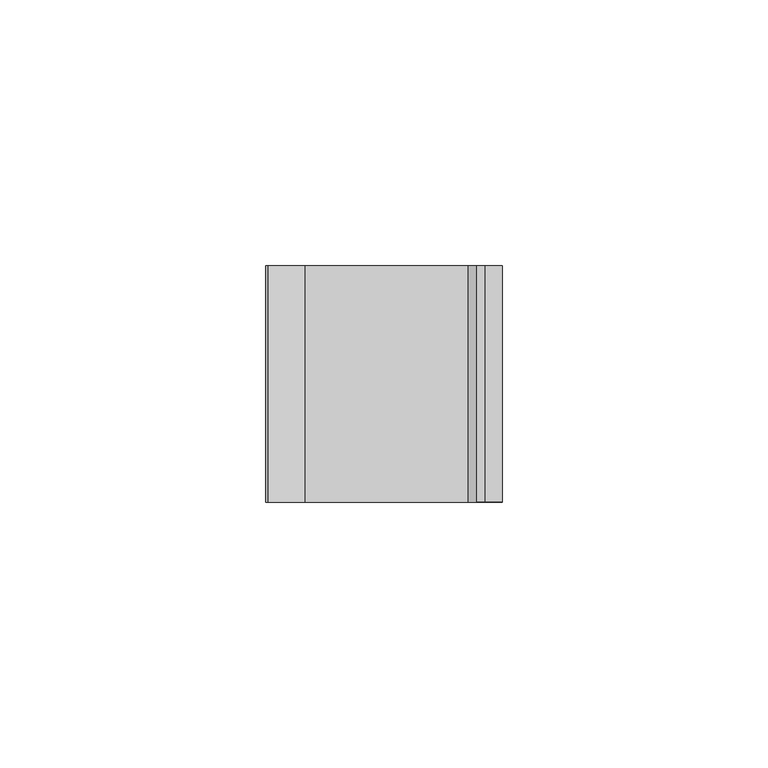
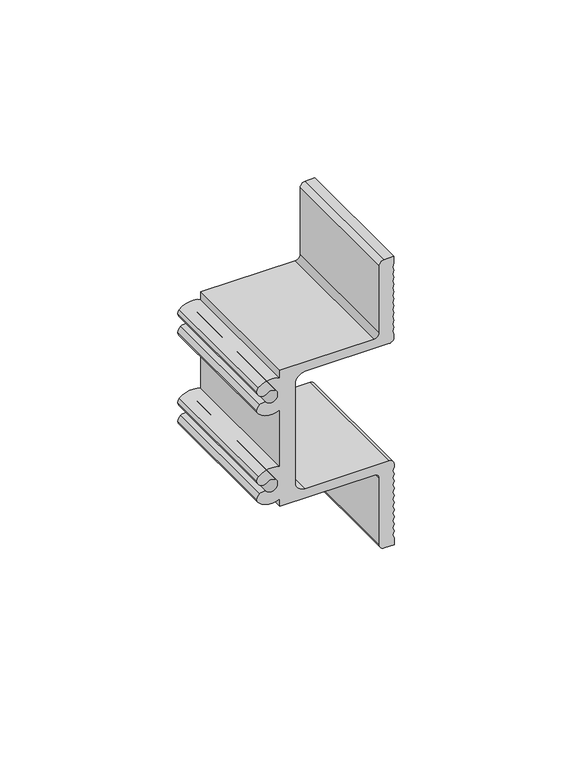
"""IFC4 building model written with IfcOpenShell, lengths in millimetres: proxy geometry."""

from ifc_helpers import new_model, si_unit, point, frame, frame_2d, origin, place, context, project, spatial, polyline, circle_curve, trimmed, segment, composite_curve, outline, extrude, source, transform, mapped, element, save


def entourage_a4e4cc3a(model_context):
    return source(origin(), model_context, "Body", "SweptSolid", [
        extrude(outline(composite_curve([segment(trimmed(circle_curve(frame_2d((0.9525, -1.5875)), 1.5875), [point((0.9525, 0.0))], [point((2.5400001, -1.5875))], False, "CARTESIAN"), True, "CONTINUOUS"), segment(polyline([(2.5400001, -1.5875), (2.5400001, -28.8871638)]), True, "CONTINUOUS"), segment(trimmed(circle_curve(frame_2d((5.715, -28.8871638)), 3.175), [point((2.5400001, -28.8871638))], [point((5.715, -32.0621638))], True, "CARTESIAN"), True, "CONTINUOUS"), segment(polyline([(5.715, -32.0621638), (39.6570672, -32.0621638)]), True, "CONTINUOUS"), segment(trimmed(circle_curve(frame_2d((39.6570672, -28.8871638)), 3.175), [point((39.6570672, -32.0621638))], [point((42.8320672, -28.8871638))], True, "CARTESIAN"), True, "CONTINUOUS"), segment(polyline([(42.8320672, -28.8871638), (42.8320672, -1.5875)]), True, "CONTINUOUS"), segment(trimmed(circle_curve(frame_2d((44.4195673, -1.5875)), 1.5875), [point((42.8320672, -1.5875))], [point((44.4195673, 0.0))], False, "CARTESIAN"), True, "CONTINUOUS"), segment(polyline([(44.4195673, 0.0), (45.3720673, 0.0), (46.5963472, -0.4191), (47.8206272, 0.0), (49.0449073, -0.4191), (50.2691872, 0.0), (51.4934672, -0.4191), (52.7177472, 0.0), (53.9420272, -0.4191), (55.1663072, 0.0), (56.3905872, -0.4191), (57.6148672, 0.0), (58.8391472, -0.4191), (60.0634272, 0.0), (61.2877073, -0.4191), (62.5119872, 0.0), (63.7362672, -0.4191), (64.9605473, 0.0), (66.1848272, -0.4191), (67.4091072, 0.0), (68.6333872, -0.4191), (69.8576672, 0.0), (72.1353903, 0.0), (72.1353903, -3.175)]), True, "CONTINUOUS"), segment(trimmed(circle_curve(frame_2d((70.5478903, -3.175)), 1.5875), [point((72.1353903, -3.175))], [point((70.5478903, -4.7625))], False, "CARTESIAN"), True, "CONTINUOUS"), segment(polyline([(70.5478903, -4.7625), (47.5945672, -4.7625)]), True, "CONTINUOUS"), segment(trimmed(circle_curve(frame_2d((47.5945672, -6.35)), 1.5875), [point((47.5945672, -4.7625))], [point((46.0070672, -6.35))], True, "CARTESIAN"), True, "CONTINUOUS"), segment(polyline([(46.0070672, -6.35), (46.0070672, -37.0838117), (43.3927559, -37.0838117)]), True, "CONTINUOUS"), segment(trimmed(circle_curve(frame_2d((37.9425673, -39.8145)), 6.096), [point((43.3927559, -37.0838117))], [point((42.3880386, -43.9857108))], False, "CARTESIAN"), True, "CONTINUOUS"), segment(trimmed(circle_curve(frame_2d((41.2303638, -42.899458)), 1.5875), [point((42.3880386, -43.9857108))], [point((41.1029673, -44.4818379))], False, "CARTESIAN"), True, "CONTINUOUS"), segment(trimmed(circle_curve(frame_2d((41.2962043, -42.0816585)), 2.4079455), [point((41.1029673, -44.4818379))], [point((39.3963752, -43.5611351))], False, "CARTESIAN"), True, "CONTINUOUS"), segment(trimmed(circle_curve(frame_2d((41.0029144, -42.4774322)), 1.9378803), [point((39.3963752, -43.5611351))], [point((39.433261, -41.3409602))], False, "CARTESIAN"), True, "CONTINUOUS"), segment(trimmed(circle_curve(frame_2d((37.9425673, -39.8145)), 2.1336), [point((39.433261, -41.3409602))], [point((36.4518734, -41.3409602))], True, "CARTESIAN"), True, "CONTINUOUS"), segment(trimmed(circle_curve(frame_2d((34.88222, -42.4774322)), 1.9378803), [point((36.4518734, -41.3409602))], [point((36.4887592, -43.5611351))], False, "CARTESIAN"), True, "CONTINUOUS"), segment(trimmed(circle_curve(frame_2d((34.5889301, -42.0816585)), 2.4079455), [point((36.4887592, -43.5611351))], [point((34.7821671, -44.4818379))], False, "CARTESIAN"), True, "CONTINUOUS"), segment(trimmed(circle_curve(frame_2d((34.6547706, -42.899458)), 1.5875), [point((34.7821671, -44.4818379))], [point((33.4970958, -43.9857108))], False, "CARTESIAN"), True, "CONTINUOUS"), segment(trimmed(circle_curve(frame_2d((37.9425673, -39.8145)), 6.096), [point((33.4970958, -43.9857108))], [point((32.4923785, -37.0838117))], False, "CARTESIAN"), True, "CONTINUOUS"), segment(polyline([(32.4923785, -37.0838117), (12.8796888, -37.0838117)]), True, "CONTINUOUS"), segment(trimmed(circle_curve(frame_2d((7.4295, -39.8145)), 6.096), [point((12.8796888, -37.0838117))], [point((11.8749715, -43.9857108))], False, "CARTESIAN"), True, "CONTINUOUS"), segment(trimmed(circle_curve(frame_2d((10.7172966, -42.899458)), 1.5875), [point((11.8749715, -43.9857108))], [point((10.5899001, -44.4818379))], False, "CARTESIAN"), True, "CONTINUOUS"), segment(trimmed(circle_curve(frame_2d((10.7831372, -42.0816585)), 2.4079455), [point((10.5899001, -44.4818379))], [point((8.8833081, -43.5611351))], False, "CARTESIAN"), True, "CONTINUOUS"), segment(trimmed(circle_curve(frame_2d((10.4898472, -42.4774322)), 1.9378803), [point((8.8833081, -43.5611351))], [point((8.9201939, -41.3409602))], False, "CARTESIAN"), True, "CONTINUOUS"), segment(trimmed(circle_curve(frame_2d((7.4295, -39.8145)), 2.1336), [point((8.9201939, -41.3409602))], [point((5.9388061, -41.3409602))], True, "CARTESIAN"), True, "CONTINUOUS"), segment(trimmed(circle_curve(frame_2d((4.3691529, -42.4774322)), 1.9378803), [point((5.9388061, -41.3409602))], [point((5.975692, -43.5611351))], False, "CARTESIAN"), True, "CONTINUOUS"), segment(trimmed(circle_curve(frame_2d((4.0758628, -42.0816585)), 2.4079455), [point((5.975692, -43.5611351))], [point((4.2691, -44.4818379))], False, "CARTESIAN"), True, "CONTINUOUS"), segment(trimmed(circle_curve(frame_2d((4.1417034, -42.899458)), 1.5875), [point((4.2691, -44.4818379))], [point((2.9840286, -43.9857108))], False, "CARTESIAN"), True, "CONTINUOUS"), segment(trimmed(circle_curve(frame_2d((7.4295, -39.8145)), 6.096), [point((2.9840286, -43.9857108))], [point((1.9793113, -37.0838117))], False, "CARTESIAN"), True, "CONTINUOUS"), segment(polyline([(1.9793113, -37.0838117), (-0.635, -37.0838117), (-0.635, -6.35)]), True, "CONTINUOUS"), segment(trimmed(circle_curve(frame_2d((-2.2224999, -6.35)), 1.5875), [point((-0.635, -6.35))], [point((-2.2224999, -4.7625))], True, "CARTESIAN"), True, "CONTINUOUS"), segment(polyline([(-2.2224999, -4.7625), (-25.175823, -4.7625)]), True, "CONTINUOUS"), segment(trimmed(circle_curve(frame_2d((-25.175823, -3.175)), 1.5875), [point((-25.175823, -4.7625))], [point((-26.7633231, -3.175))], False, "CARTESIAN"), True, "CONTINUOUS"), segment(polyline([(-26.7633231, -3.175), (-26.7633231, 0.0), (-24.4923774, 0.0), (-23.2680974, -0.4191), (-22.0438174, 0.0), (-20.8195374, -0.4191), (-19.5952574, 0.0), (-18.3709774, -0.4191), (-17.1466974, 0.0), (-15.9224174, -0.4191), (-14.6981374, 0.0), (-13.4738573, -0.4191), (-12.2495774, 0.0), (-11.0252974, -0.4191), (-9.8010173, 0.0), (-8.5767374, -0.4191), (-7.3524574, 0.0), (-6.1281774, -0.4191), (-4.9038974, 0.0), (-3.6796174, -0.4191), (-2.4553374, 0.0), (-1.2310574, -0.4191), (-0.0067774, 0.0), (0.9525, 0.0)]), True, "CONTINUOUS")], self_intersect=False)), frame((22.275777, 22.1735687, 22.6641249), z_axis=(0.0, -0.999999892936221, 0.00046273917770656153), x_axis=(0.0, -0.00046273917770656153, -0.999999892936221)), (0.0, 0.0, 1.0), 44.45),
    ])


if __name__ == "__main__":
    model = new_model("IFC4")
    model_context = context("Model", 3, world=origin())
    ifc_project = project(units=[si_unit("LENGTHUNIT", "METRE", prefix="MILLI")], contexts=[model_context])
    site = spatial("IfcSite", under=ifc_project)
    building = spatial("IfcBuilding", under=site)
    placement = place(None, origin())
    entourage_shape = entourage_a4e4cc3a(model_context)
    element("IfcBuildingElementProxy", 1, Name="Entourage", at=placement, inside=building, context=model_context, shape_type="MappedRepresentation", body=[
        mapped(entourage_shape, transform((0.0, 0.0, 0.0), x_axis=(1.0, 0.0, 0.0), y_axis=(0.0, 1.0, 0.0), z_axis=(0.0, 0.0, 1.0))),
    ])
    save(model, "model.ifc")
